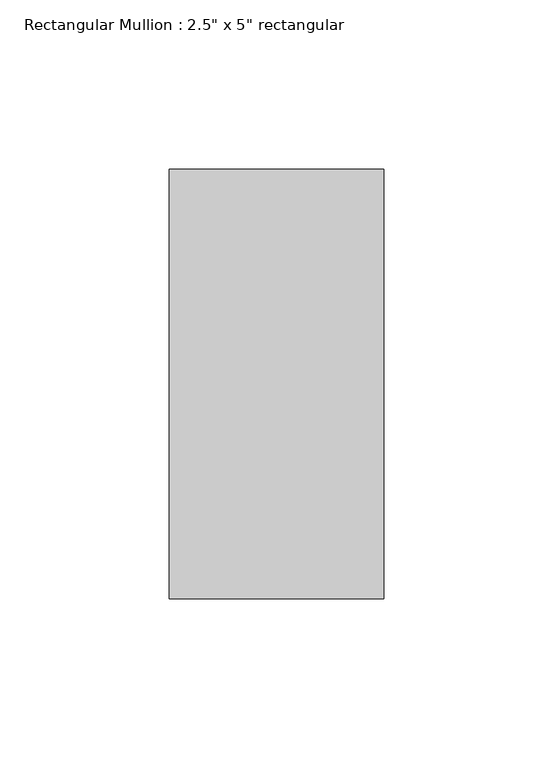
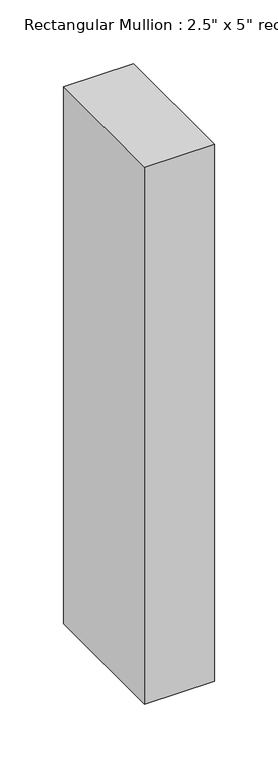
"""IFC4 building model written with IfcOpenShell, lengths in millimetres: member geometry."""

from ifc_helpers import new_model, si_unit, frame, origin, place, context, project, spatial, polyline, outline, extrude, source, transform, mapped, element, save


def member_4d70c8b0(model_context):
    return source(origin(), model_context, "Body", "SweptSolid", [
        extrude(outline(polyline([(31.75, 63.5), (31.75, -63.5), (-31.75, -63.5), (-31.75, 63.5), (31.75, 63.5)])), frame((0.0, 0.0, -514.3500003), z_axis=(0.0, 0.0, 1.0), x_axis=(1.0, 0.0, 0.0)), (0.0, 0.0, 1.0), 514.3500003),
    ])


if __name__ == "__main__":
    model = new_model("IFC4")
    model_context = context("Model", 3, world=origin())
    ifc_project = project(units=[si_unit("LENGTHUNIT", "METRE", prefix="MILLI")], contexts=[model_context])
    site = spatial("IfcSite", under=ifc_project)
    building = spatial("IfcBuilding", under=site)
    placement = place(None, origin())
    member_shape = member_4d70c8b0(model_context)
    element("IfcMember", 1, ObjectType="Rectangular Mullion : 2.5\" x 5\" rectangular", at=placement, inside=building, context=model_context, shape_type="MappedRepresentation", body=[
        mapped(member_shape, transform((0.0, 0.0, 0.0), x_axis=(1.0, 0.0, 0.0), y_axis=(0.0, 1.0, 0.0), z_axis=(0.0, 0.0, 1.0))),
    ])
    save(model, "model.ifc")
